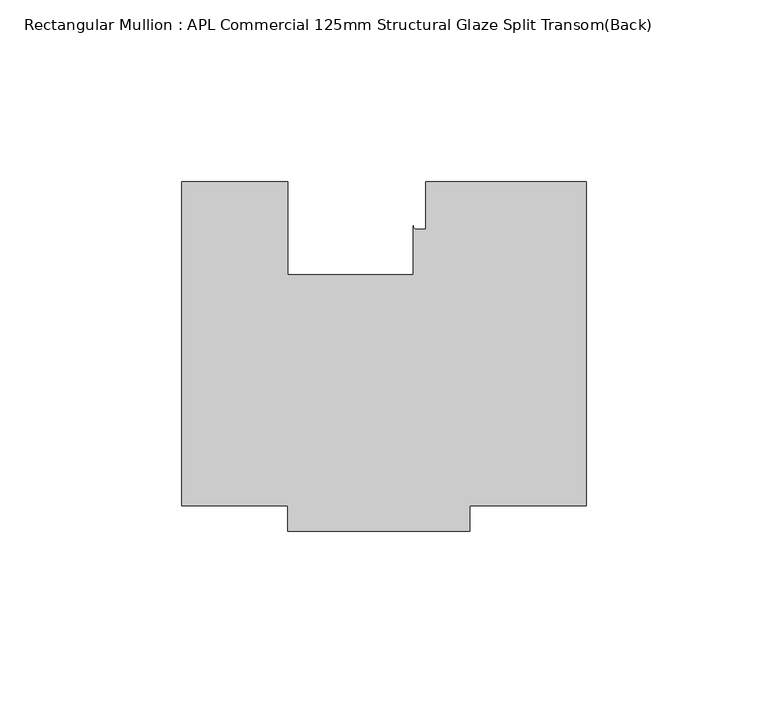
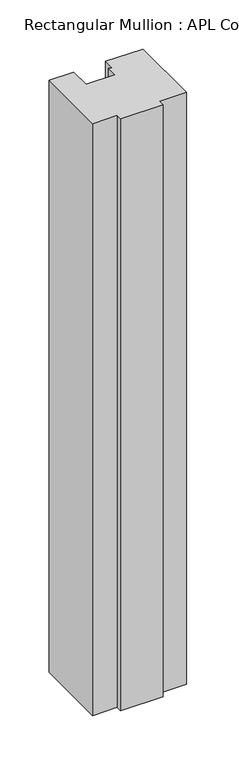
"""IFC4 building model written with IfcOpenShell, lengths in millimetres: member geometry, Rectangular Mullion : APL Commercial 125mm Structural Glaze Split Transom(Back)."""

import ifcopenshell
import ifcopenshell.guid

model = None  # the IFC model being written
_history = None  # IfcOwnerHistory: only IFC2X3 demands one
_inside = {}  # id of a spatial element -> (the spatial element, [elements in it])
_under = {}  # id of a project, library or spatial element -> (it, [spatial elements below it])
_declared = {}  # id of a project -> (the project, [libraries it declares])
_typed = {}  # id of a type object -> (the type object, [elements of that type])
_made_of = {}  # id of a material, layer set ... -> (it, [elements and type objects made of it])


def new_model(schema):
    """Start an empty IFC model of exactly this schema.

    Asked for "IFC4X3", IfcOpenShell would pick the latest addendum, in which some entities
    have other attributes; the version numbers below select the first issue.
    IFC2X3 requires an IfcOwnerHistory on every rooted entity: one is made here for all.
    """
    global model, _history
    if schema == "IFC4X3":
        model = ifcopenshell.file(schema_version=(4, 3, 0, 0))
    else:
        model = ifcopenshell.file(schema=schema)
    _inside.clear()
    _under.clear()
    _declared.clear()
    _typed.clear()
    _made_of.clear()
    _history = None
    if model.schema == "IFC2X3":
        org = make("IfcOrganization", Name="unknown")
        user = make(
            "IfcPersonAndOrganization",
            ThePerson=make("IfcPerson", FamilyName="unknown"),
            TheOrganization=org,
        )
        app = make(
            "IfcApplication",
            ApplicationDeveloper=org,
            Version="unknown",
            ApplicationFullName="unknown",
            ApplicationIdentifier="unknown",
        )
        _history = make(
            "IfcOwnerHistory",
            OwningUser=user,
            OwningApplication=app,
            ChangeAction="ADDED",
            CreationDate=0,
        )
    return model


def make(cls, **values):
    """One entity of the class cls with the attributes given. An attribute that is None is left unset."""
    return model.create_entity(
        cls, **{name: value for name, value in values.items() if value is not None}
    )


def rooted(cls, **values):
    """An entity with a GlobalId (a new one), such as an element, a storey or a relation."""
    return make(cls, GlobalId=ifcopenshell.guid.new(), OwnerHistory=_history, **values)


def si_unit(unit_type, name, prefix=None):
    """IfcSIUnit, for example si_unit("LENGTHUNIT", "METRE", prefix="MILLI")."""
    return make("IfcSIUnit", UnitType=unit_type, Prefix=prefix, Name=name)


def assignment(units):
    """IfcUnitAssignment: the units of a project."""
    return None if units is None else make("IfcUnitAssignment", Units=units)


def point(xyz):
    """IfcCartesianPoint."""
    return None if xyz is None else make("IfcCartesianPoint", Coordinates=xyz)


def direction(xyz):
    """IfcDirection."""
    return None if xyz is None else make("IfcDirection", DirectionRatios=xyz)


def frame(location, z_axis=None, x_axis=None):
    """IfcAxis2Placement3D, a coordinate frame: its origin and axes. An axis left out is left unset."""
    return make(
        "IfcAxis2Placement3D",
        Location=point(location),
        Axis=direction(z_axis),
        RefDirection=direction(x_axis),
    )


def frame_2d(location, x_axis=None):
    """IfcAxis2Placement2D, a coordinate frame in the plane: its origin and x axis."""
    return make(
        "IfcAxis2Placement2D", Location=point(location), RefDirection=direction(x_axis)
    )


def origin():
    """The frame at (0, 0, 0) with its axes left unset."""
    return frame((0.0, 0.0, 0.0))


def place(relative_to, where):
    """IfcLocalPlacement: puts the frame where relative to a parent placement (None: the world)."""
    return make(
        "IfcLocalPlacement", PlacementRelTo=relative_to, RelativePlacement=where
    )


def context(
    kind, dimensions, precision=None, world=None, true_north=None, identifier=None
):
    """IfcGeometricRepresentationContext, for example the 3D "Model" context."""
    return make(
        "IfcGeometricRepresentationContext",
        ContextIdentifier=identifier,
        ContextType=kind,
        CoordinateSpaceDimension=dimensions,
        Precision=precision,
        WorldCoordinateSystem=world,
        TrueNorth=true_north,
    )


def project(units=None, contexts=None):
    """IfcProject with its units and contexts."""
    return rooted(
        "IfcProject",
        Name="project",
        RepresentationContexts=contexts,
        UnitsInContext=assignment(units),
    )


def spatial(cls, under=None, at=None, **own):
    """A site, building, storey or space (cls), placed at a placement, below another one or the project."""
    s = rooted(cls, ObjectPlacement=at, **own)
    if under is not None:
        _under.setdefault(under.id(), (under, []))[1].append(s)
    return s


def polyline(points):
    """IfcPolyline through the points."""
    return make("IfcPolyline", Points=[point(p) for p in points])


def circle_curve(where, radius):
    """IfcCircle in the frame where."""
    return make("IfcCircle", Position=where, Radius=radius)


def trimmed(basis, trim1, trim2, sense, master):
    """IfcTrimmedCurve: the piece of a basis curve between two trims."""
    return make(
        "IfcTrimmedCurve",
        BasisCurve=basis,
        Trim1=trim1,
        Trim2=trim2,
        SenseAgreement=sense,
        MasterRepresentation=master,
    )


def segment(curve, same_sense, transition):
    """IfcCompositeCurveSegment."""
    return make(
        "IfcCompositeCurveSegment",
        Transition=transition,
        SameSense=same_sense,
        ParentCurve=curve,
    )


def composite_curve(segments, self_intersect=None):
    """IfcCompositeCurve: segments joined end to end."""
    return make("IfcCompositeCurve", Segments=segments, SelfIntersect=self_intersect)


def outline(outer, holes=None, kind="AREA"):
    """IfcArbitraryClosedProfileDef: a profile drawn as a closed curve; with holes, ...WithVoids."""
    if holes is None:
        return make("IfcArbitraryClosedProfileDef", ProfileType=kind, OuterCurve=outer)
    return make(
        "IfcArbitraryProfileDefWithVoids",
        ProfileType=kind,
        OuterCurve=outer,
        InnerCurves=holes,
    )


def extrude(swept, where, along, depth):
    """IfcExtrudedAreaSolid: the profile swept, set in the frame where, extruded along a direction by depth."""
    return make(
        "IfcExtrudedAreaSolid",
        SweptArea=swept,
        Position=where,
        ExtrudedDirection=direction(along),
        Depth=depth,
    )


def shape(context_of_items, identifier, shape_type, items):
    """IfcShapeRepresentation: the items that make up one representation, for example the "Body"."""
    return make(
        "IfcShapeRepresentation",
        ContextOfItems=context_of_items,
        RepresentationIdentifier=identifier,
        RepresentationType=shape_type,
        Items=items,
    )


def source(mapping_origin, context_of_items, identifier, shape_type, items):
    """IfcRepresentationMap: a shape defined once, which mapped items show again and again."""
    return make(
        "IfcRepresentationMap",
        MappingOrigin=mapping_origin,
        MappedRepresentation=shape(context_of_items, identifier, shape_type, items),
    )


def transform(
    local_origin,
    x_axis=None,
    y_axis=None,
    z_axis=None,
    scale=None,
    scale2=None,
    scale3=None,
    uniform=True,
):
    """IfcCartesianTransformationOperator3D, or its non-uniform kind. x_axis, y_axis, z_axis: its Axis1, 2, 3."""
    if uniform:
        return make(
            "IfcCartesianTransformationOperator3D",
            Axis1=direction(x_axis),
            Axis2=direction(y_axis),
            LocalOrigin=point(local_origin),
            Scale=scale,
            Axis3=direction(z_axis),
        )
    return make(
        "IfcCartesianTransformationOperator3DnonUniform",
        Axis1=direction(x_axis),
        Axis2=direction(y_axis),
        LocalOrigin=point(local_origin),
        Scale=scale,
        Axis3=direction(z_axis),
        Scale2=scale2,
        Scale3=scale3,
    )


def mapped(mapping_source, mapping_target):
    """IfcMappedItem: shows the shape of a source again, moved by a transform."""
    return make(
        "IfcMappedItem", MappingSource=mapping_source, MappingTarget=mapping_target
    )


def made_of(thing, what):
    """Note that an element or type object is made of a material, layer set ...; save() writes the relation."""
    if what is not None:
        _made_of.setdefault(what.id(), (what, []))[1].append(thing)
    return thing


def element(
    cls,
    number,
    at=None,
    inside=None,
    cuts=None,
    type_object=None,
    material=None,
    context=None,
    identifier="Body",
    shape_type=None,
    held_by="IfcProductDefinitionShape",
    body=None,
    shapes=None,
    **own,
):
    """One element of the class cls, such as IfcWall. Its Tag is "e" and its number.

    at: its placement. inside: the storey or other place that contains it. cuts: it is an
    opening in that element (IfcRelVoidsElement). A single representation is given by context,
    identifier, shape_type and body (its items); several are given by shapes. held_by: the class
    of the entity that holds the representations. save() writes the other relations.
    """
    e = rooted(cls, Tag="e%d" % number, ObjectPlacement=at, **own)
    if body is not None:
        shapes = [shape(context, identifier, shape_type, body)]
    if shapes is not None:
        e.Representation = make(held_by, Representations=shapes)
    if inside is not None:
        _inside.setdefault(inside.id(), (inside, []))[1].append(e)
    if cuts is not None:
        rooted(
            "IfcRelVoidsElement", RelatingBuildingElement=cuts, RelatedOpeningElement=e
        )
    if type_object is not None:
        _typed.setdefault(type_object.id(), (type_object, []))[1].append(e)
    return made_of(e, material)


def aggregate(whole, parts):
    """IfcRelAggregates: a whole, such as a stair, and the parts it consists of."""
    return rooted("IfcRelAggregates", RelatingObject=whole, RelatedObjects=parts)


def save(model, path):
    """Write the relations noted so far, then the file.

    IfcRelAggregates (storeys below a building ...), IfcRelContainedInSpatialStructure (elements
    in a storey), IfcRelDefinesByType, IfcRelAssociatesMaterial and IfcRelDeclares: one each for
    every whole, place, type object, material and project.
    """
    for whole, parts in _under.values():
        aggregate(whole, parts)
    for where, things in _inside.values():
        rooted(
            "IfcRelContainedInSpatialStructure",
            RelatedElements=things,
            RelatingStructure=where,
        )
    for kind, things in _typed.values():
        rooted("IfcRelDefinesByType", RelatedObjects=things, RelatingType=kind)
    for what, things in _made_of.values():
        rooted("IfcRelAssociatesMaterial", RelatedObjects=things, RelatingMaterial=what)
    for by, libraries in _declared.values():
        rooted("IfcRelDeclares", RelatingContext=by, RelatedDefinitions=libraries)
    model.write(path)


def rectangular_mullion_apl_commercial_125mm_structural_glaze_11593806(model_context):
    return source(origin(), model_context, "Body", "SweptSolid", [
        extrude(outline(composite_curve([segment(polyline([(54.0000029, -15.0004617), (54.0000029, -104.0), (22.0028846, -104.0), (22.0028846, -111.0), (-27.9971154, -111.0), (-27.9971154, -103.9999439), (-57.0000004, -103.9999439), (-57.0000004, -15.0001793), (-28.0000482, -15.0001793), (-28.0000482, -40.499932), (6.5000029, -40.499932), (6.5000029, -27.0002131)]), True, "CONTINUOUS"), segment(trimmed(circle_curve(frame_2d((7.5000029, -27.0002131)), 1.0), [point((6.5000029, -27.0002131))], [point((7.5000029, -28.0002131))], True, "CARTESIAN"), True, "CONTINUOUS"), segment(polyline([(7.5000029, -28.0002131), (10.0000029, -28.0002131), (10.0000029, -15.0004617), (54.0000029, -15.0004617)]), True, "CONTINUOUS")], self_intersect=False)), frame((0.0, 0.0, -737.3627514), z_axis=(0.0, 0.0, 1.0), x_axis=(1.0, 0.0, 0.0)), (0.0, 0.0, 1.0), 737.3627514),
    ])


if __name__ == "__main__":
    model = new_model("IFC4")
    model_context = context("Model", 3, world=origin())
    ifc_project = project(units=[si_unit("LENGTHUNIT", "METRE", prefix="MILLI")], contexts=[model_context])
    site = spatial("IfcSite", under=ifc_project)
    building = spatial("IfcBuilding", under=site)
    placement = place(None, origin())
    rectangular_mullion_apl_commercial_125mm_structural_glaze_shape = rectangular_mullion_apl_commercial_125mm_structural_glaze_11593806(model_context)
    element("IfcMember", 1, ObjectType="Rectangular Mullion : APL Commercial 125mm Structural Glaze Split Transom(Back)", at=placement, inside=building, context=model_context, shape_type="MappedRepresentation", body=[
        mapped(rectangular_mullion_apl_commercial_125mm_structural_glaze_shape, transform((0.0, 0.0, 0.0), x_axis=(1.0, 0.0, 0.0), y_axis=(0.0, 1.0, 0.0), z_axis=(0.0, 0.0, 1.0))),
    ])
    save(model, "model.ifc")
